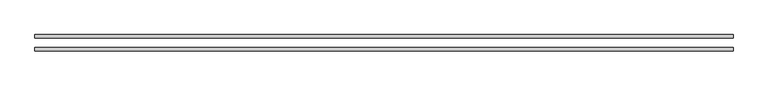
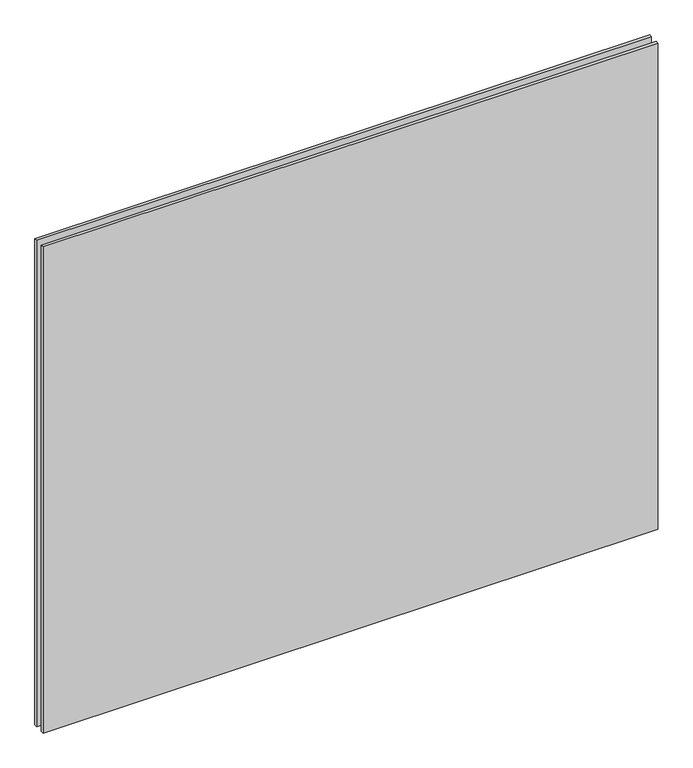
"""IFC4 building model written with IfcOpenShell, lengths in millimetres: plate geometry."""

from ifc_helpers import new_model, si_unit, origin, origin_with_axes, place, context, project, spatial, polyline, outline, extrude, source, transform, mapped, element, save


def plate_0c07434e(model_context):
    return source(origin(), model_context, "Body", "SweptSolid", [
        extrude(outline(polyline([(-599.1113541, 14.0), (599.1113541, 14.0), (599.1113541, 8.0), (-599.1113541, 8.0), (-599.1113541, 14.0)])), origin_with_axes(), (0.0, 0.0, 1.0), 1000.9999996),
        extrude(outline(polyline([(-599.1113541, -8.0), (599.1113541, -8.0), (599.1113541, -14.0), (-599.1113541, -14.0), (-599.1113541, -8.0)])), origin_with_axes(), (0.0, 0.0, 1.0), 1000.9999996),
    ])


if __name__ == "__main__":
    model = new_model("IFC4")
    model_context = context("Model", 3, world=origin())
    ifc_project = project(units=[si_unit("LENGTHUNIT", "METRE", prefix="MILLI")], contexts=[model_context])
    site = spatial("IfcSite", under=ifc_project)
    building = spatial("IfcBuilding", under=site)
    placement = place(None, origin())
    plate_shape = plate_0c07434e(model_context)
    element("IfcPlate", 1, at=placement, inside=building, context=model_context, shape_type="MappedRepresentation", body=[
        mapped(plate_shape, transform((0.0, 0.0, 0.0), x_axis=(1.0, 0.0, 0.0), y_axis=(0.0, 1.0, 0.0), z_axis=(0.0, 0.0, 1.0))),
    ])
    save(model, "model.ifc")
